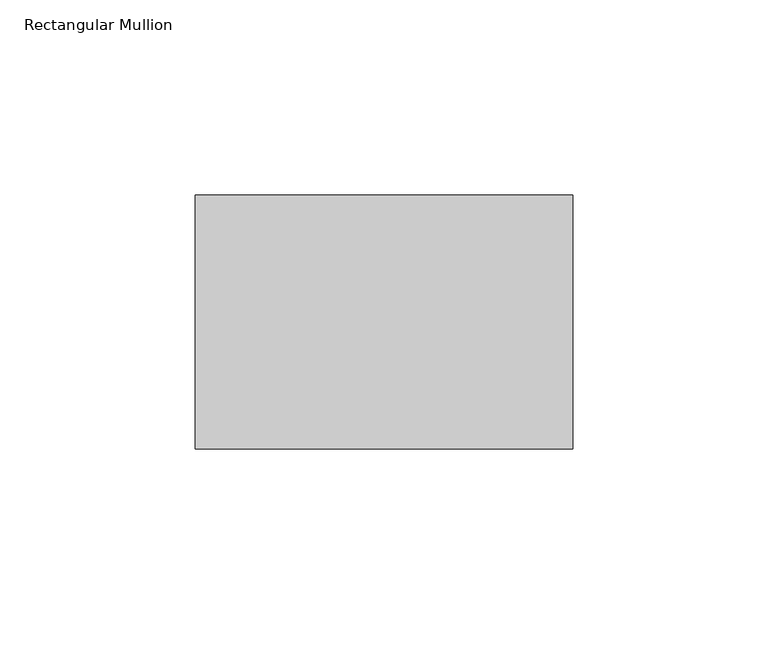
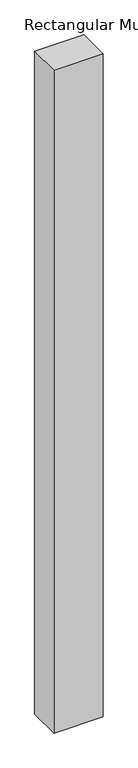
"""IFC4 building model written with IfcOpenShell, lengths in millimetres: member geometry, Rectangular Mullion."""

from ifc_helpers import new_model, si_unit, frame, origin, place, context, project, spatial, polyline, outline, extrude, source, transform, mapped, element, save


def rectangular_mullion_a90f94e2(model_context):
    return source(origin(), model_context, "Body", "SweptSolid", [
        extrude(outline(polyline([(-96.8375, -42.8625), (-96.8375, 22.225), (0.0, 22.225), (0.0, -42.8625), (-96.8375, -42.8625)])), frame((0.0, 0.0, -1378.74375), z_axis=(0.0, 0.0, 1.0), x_axis=(1.0, 0.0, 0.0)), (0.0, 0.0, 1.0), 1378.74375),
    ])


if __name__ == "__main__":
    model = new_model("IFC4")
    model_context = context("Model", 3, world=origin())
    ifc_project = project(units=[si_unit("LENGTHUNIT", "METRE", prefix="MILLI")], contexts=[model_context])
    site = spatial("IfcSite", under=ifc_project)
    building = spatial("IfcBuilding", under=site)
    placement = place(None, origin())
    rectangular_mullion_shape = rectangular_mullion_a90f94e2(model_context)
    element("IfcMember", 1, ObjectType="Rectangular Mullion", at=placement, inside=building, context=model_context, shape_type="MappedRepresentation", body=[
        mapped(rectangular_mullion_shape, transform((0.0, 0.0, 0.0), x_axis=(1.0, 0.0, 0.0), y_axis=(0.0, 1.0, 0.0), z_axis=(0.0, 0.0, 1.0))),
    ])
    save(model, "model.ifc")
